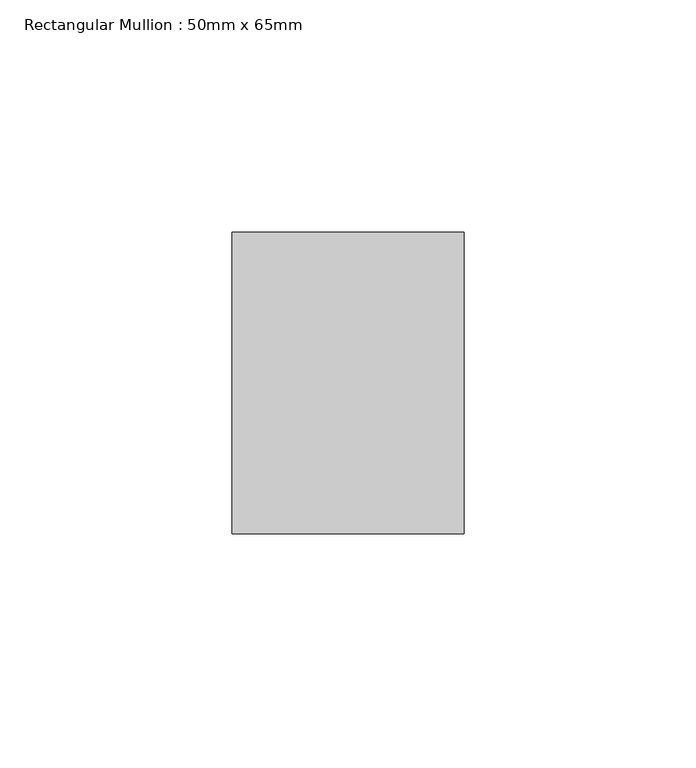
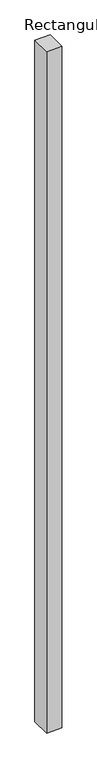
"""IFC4 building model written with IfcOpenShell, lengths in millimetres: member geometry, Rectangular Mullion : 50mm x 65mm."""

from ifc_helpers import new_model, si_unit, frame, origin, place, context, project, spatial, polyline, outline, extrude, source, transform, mapped, element, save


def rectangular_mullion_50mm_x_65mm_7a929348(model_context):
    return source(origin(), model_context, "Body", "SweptSolid", [
        extrude(outline(polyline([(25.0, 32.5), (25.0, -32.5), (-25.0, -32.5), (-25.0, 32.5), (25.0, 32.5)])), frame((0.0, 0.0, -2332.1776175), z_axis=(0.0, 0.0, 1.0), x_axis=(1.0, 0.0, 0.0)), (0.0, 0.0, 1.0), 2332.1776175),
    ])


if __name__ == "__main__":
    model = new_model("IFC4")
    model_context = context("Model", 3, world=origin())
    ifc_project = project(units=[si_unit("LENGTHUNIT", "METRE", prefix="MILLI")], contexts=[model_context])
    site = spatial("IfcSite", under=ifc_project)
    building = spatial("IfcBuilding", under=site)
    placement = place(None, origin())
    rectangular_mullion_50mm_x_65mm_shape = rectangular_mullion_50mm_x_65mm_7a929348(model_context)
    element("IfcMember", 1, ObjectType="Rectangular Mullion : 50mm x 65mm", at=placement, inside=building, context=model_context, shape_type="MappedRepresentation", body=[
        mapped(rectangular_mullion_50mm_x_65mm_shape, transform((0.0, 0.0, 0.0), x_axis=(1.0, 0.0, 0.0), y_axis=(0.0, 1.0, 0.0), z_axis=(0.0, 0.0, 1.0))),
    ])
    save(model, "model.ifc")
